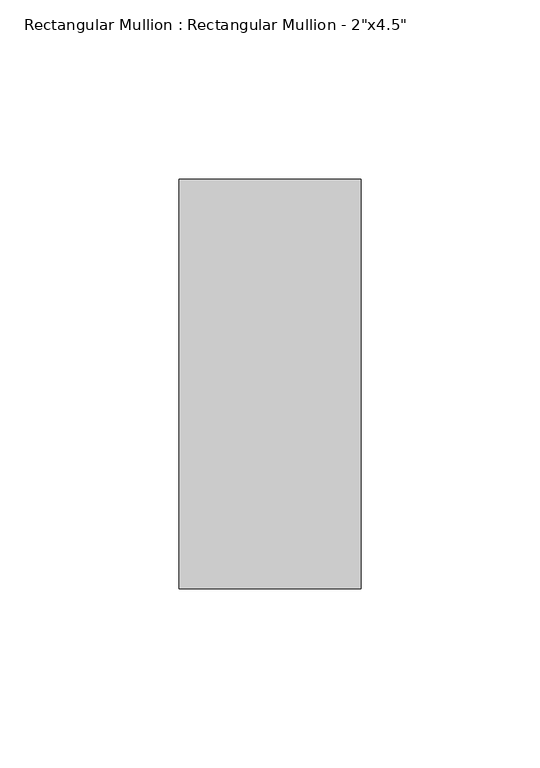
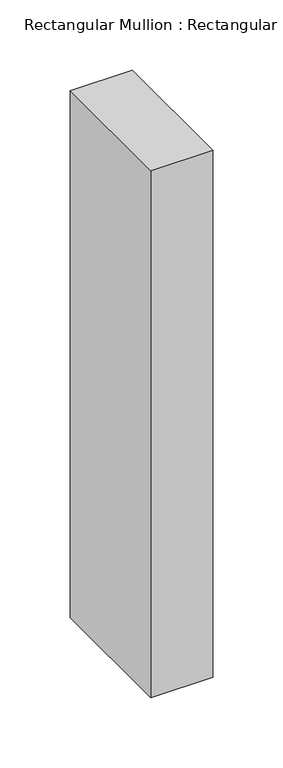
"""IFC4 building model written with IfcOpenShell, lengths in millimetres: member geometry."""

from ifc_helpers import new_model, si_unit, frame, origin, place, context, project, spatial, polyline, outline, extrude, source, transform, mapped, element, save


def member_b9fe1f88(model_context):
    return source(origin(), model_context, "Body", "SweptSolid", [
        extrude(outline(polyline([(0.0, 57.15), (0.0, -57.15), (-50.8, -57.15), (-50.8, 57.15), (0.0, 57.15)])), frame((0.0, 0.0, -457.2), z_axis=(0.0, 0.0, 1.0), x_axis=(1.0, 0.0, 0.0)), (0.0, 0.0, 1.0), 457.2),
    ])


if __name__ == "__main__":
    model = new_model("IFC4")
    model_context = context("Model", 3, world=origin())
    ifc_project = project(units=[si_unit("LENGTHUNIT", "METRE", prefix="MILLI")], contexts=[model_context])
    site = spatial("IfcSite", under=ifc_project)
    building = spatial("IfcBuilding", under=site)
    placement = place(None, origin())
    member_shape = member_b9fe1f88(model_context)
    element("IfcMember", 1, ObjectType="Rectangular Mullion : Rectangular Mullion - 2\"x4.5\"", at=placement, inside=building, context=model_context, shape_type="MappedRepresentation", body=[
        mapped(member_shape, transform((0.0, 0.0, 0.0), x_axis=(1.0, 0.0, 0.0), y_axis=(0.0, 1.0, 0.0), z_axis=(0.0, 0.0, 1.0))),
    ])
    save(model, "model.ifc")
